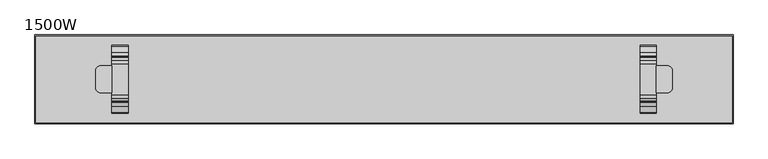
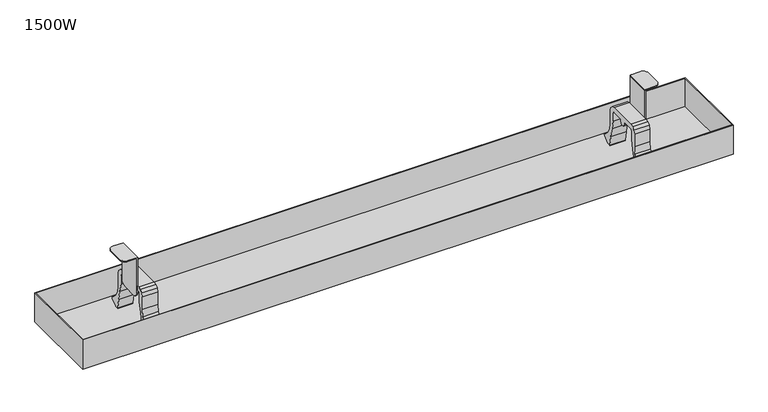
"""IFC4 building model written with IfcOpenShell, lengths in millimetres: furniture geometry, 1500W."""

from ifc_helpers import new_model, si_unit, point, frame, frame_2d, origin, place, context, project, spatial, polyline, circle_curve, trimmed, segment, composite_curve, outline, extrude, faceted_brep, source, transform, mapped, element, save
from ifc_brep_helpers import plane_surface, cylinder_surface, advanced_brep


def furniture_1500w_f9813701(model_context):
    return source(origin(), model_context, "Body", "SolidModel", [
        extrude(outline(composite_curve([segment(polyline([(28.25, 655.6089449), (34.75, 653.8672752), (39.5083302, 649.1089449), (41.25, 642.6089449), (41.25, 615.6089449), (42.9555126, 601.8121279), (49.9457921, 589.7956007), (61.0960118, 581.4929784), (62.5288578, 580.072514), (62.737976, 578.0657663), (61.6287805, 576.3804021), (49.988664, 567.6162242), (49.988664, 564.2297166), (51.9354374, 563.6484872), (53.2695938, 561.9968693), (53.406724, 559.8781409), (52.2966018, 558.0683222), (42.3770369, 549.4873279)]), True, "CONTINUOUS"), segment(trimmed(circle_curve(frame_2d((41.6448692, 550.1324462)), 0.9758316), [point((42.3770369, 549.4873279))], [point((40.6690514, 550.1272622))], False, "CARTESIAN"), True, "CONTINUOUS"), segment(polyline([(40.6690514, 550.1272622), (40.6597451, 551.8790344), (40.8692786, 553.618255), (41.2943712, 555.3176928), (41.9578918, 557.08863), (42.988664, 559.1689888), (42.988664, 567.673425), (39.9005757, 587.3273398), (36.0103541, 606.457322), (31.25, 625.5024109), (31.25, 642.6089449), (30.8480762, 644.1089449), (29.75, 645.2070212), (28.25, 645.6089449), (5.75, 645.6089449), (5.75, 640.6089449), (4.6518477, 637.2291797), (1.7768477, 635.14037), (-1.7768477, 635.14037), (-4.6518477, 637.2291797), (-5.75, 640.6089449), (-5.75, 645.6089449), (-28.25, 645.6089449), (-29.75, 645.2070212), (-30.8480762, 644.1089449), (-31.25, 642.6089449), (-31.25, 625.5024109), (-36.0103541, 606.457322), (-39.9005757, 587.3273398), (-42.988664, 567.673425), (-42.988664, 559.1689888), (-41.9578918, 557.08863), (-41.2943712, 555.3176928), (-40.8692786, 553.618255), (-40.6597451, 551.8790344), (-40.6690514, 550.1272622)]), True, "CONTINUOUS"), segment(trimmed(circle_curve(frame_2d((-41.6448692, 550.1324462)), 0.9758316), [point((-40.6690514, 550.1272622))], [point((-42.3770369, 549.4873279))], False, "CARTESIAN"), True, "CONTINUOUS"), segment(polyline([(-42.3770369, 549.4873279), (-52.2966018, 558.0683222), (-53.406724, 559.8781409), (-53.2695938, 561.9968693), (-51.9354374, 563.6484872), (-49.988664, 564.2297166), (-49.988664, 567.6162242), (-61.6287805, 576.3804021), (-62.737976, 578.0657663), (-62.5288578, 580.072514), (-61.0960118, 581.4929784), (-49.9457921, 589.7956007), (-42.9555126, 601.8121279), (-41.25, 615.6089449), (-41.25, 642.6089449), (-39.5083302, 649.1089449), (-34.75, 653.8672752), (-28.25, 655.6089449), (28.25, 655.6089449)]), True, "CONTINUOUS")], self_intersect=False)), frame((473.0, 0.0, 0.0), z_axis=(1.0, 0.0, 0.0), x_axis=(0.0, 1.0, 0.0)), (0.0, 0.0, 1.0), 30.0),
        extrude(outline(composite_curve([segment(polyline([(28.25, 655.6089449), (34.75, 653.8672752), (39.5083302, 649.1089449), (41.25, 642.6089449), (41.25, 615.6089449), (42.9555126, 601.8121279), (49.9457921, 589.7956007), (61.0960118, 581.4929784), (62.5288578, 580.072514), (62.737976, 578.0657663), (61.6287805, 576.3804021), (49.988664, 567.6162242), (49.988664, 564.2297166), (51.9354374, 563.6484872), (53.2695938, 561.9968693), (53.406724, 559.8781409), (52.2966018, 558.0683222), (42.3770369, 549.4873279)]), True, "CONTINUOUS"), segment(trimmed(circle_curve(frame_2d((41.6448692, 550.1324462)), 0.9758316), [point((42.3770369, 549.4873279))], [point((40.6690514, 550.1272622))], False, "CARTESIAN"), True, "CONTINUOUS"), segment(polyline([(40.6690514, 550.1272622), (40.6597451, 551.8790344), (40.8692786, 553.618255), (41.2943712, 555.3176928), (41.9578918, 557.08863), (42.988664, 559.1689888), (42.988664, 567.673425), (39.9005757, 587.3273398), (36.0103541, 606.457322), (31.25, 625.5024109), (31.25, 642.6089449), (30.8480762, 644.1089449), (29.75, 645.2070212), (28.25, 645.6089449), (5.75, 645.6089449), (5.75, 640.6089449), (4.6518477, 637.2291797), (1.7768477, 635.14037), (-1.7768477, 635.14037), (-4.6518477, 637.2291797), (-5.75, 640.6089449), (-5.75, 645.6089449), (-28.25, 645.6089449), (-29.75, 645.2070212), (-30.8480762, 644.1089449), (-31.25, 642.6089449), (-31.25, 625.5024109), (-36.0103541, 606.457322), (-39.9005757, 587.3273398), (-42.988664, 567.673425), (-42.988664, 559.1689888), (-41.9578918, 557.08863), (-41.2943712, 555.3176928), (-40.8692786, 553.618255), (-40.6597451, 551.8790344), (-40.6690514, 550.1272622)]), True, "CONTINUOUS"), segment(trimmed(circle_curve(frame_2d((-41.6448692, 550.1324462)), 0.9758316), [point((-40.6690514, 550.1272622))], [point((-42.3770369, 549.4873279))], False, "CARTESIAN"), True, "CONTINUOUS"), segment(polyline([(-42.3770369, 549.4873279), (-52.2966018, 558.0683222), (-53.406724, 559.8781409), (-53.2695938, 561.9968693), (-51.9354374, 563.6484872), (-49.988664, 564.2297166), (-49.988664, 567.6162242), (-61.6287805, 576.3804021), (-62.737976, 578.0657663), (-62.5288578, 580.072514), (-61.0960118, 581.4929784), (-49.9457921, 589.7956007), (-42.9555126, 601.8121279), (-41.25, 615.6089449), (-41.25, 642.6089449), (-39.5083302, 649.1089449), (-34.75, 653.8672752), (-28.25, 655.6089449), (28.25, 655.6089449)]), True, "CONTINUOUS")], self_intersect=False)), frame((-503.0, 0.0, 0.0), z_axis=(1.0, 0.0, 0.0), x_axis=(0.0, 1.0, 0.0)), (0.0, 0.0, 1.0), 30.0),
        faceted_brep([(643.0, 80.0, 567.0), (-643.0, 80.0, 567.0), (-643.0, -80.0, 567.0), (643.0, -80.0, 567.0), (643.0, 80.0, 626.0), (-643.0, 80.0, 626.0), (-643.0, -80.0, 626.0), (643.0, -80.0, 626.0), (645.0, -82.0, 626.0), (645.0, 82.0, 626.0), (-645.0, 82.0, 626.0), (-645.0, -82.0, 626.0), (645.0, -82.0, 565.0), (-645.0, -82.0, 565.0), (-645.0, 82.0, 565.0), (645.0, 82.0, 565.0)], [[[0, 1, 2, 3]], [[1, 0, 4, 5]], [[2, 1, 5, 6]], [[3, 2, 6, 7]], [[0, 3, 7, 4]], [[8, 9, 10, 11], [5, 4, 7, 6]], [[12, 13, 14, 15]], [[9, 8, 12, 15]], [[10, 9, 15, 14]], [[11, 10, 14, 13]], [[8, 11, 13, 12]]]),
        extrude(outline(composite_curve([segment(trimmed(circle_curve(frame_2d((523.0, 14.9999998)), 10.0), [point((523.0, 24.9999998))], [point((533.0, 14.9999998))], False, "CARTESIAN"), True, "CONTINUOUS"), segment(polyline([(533.0, 14.9999998), (533.0, -15.0000002)]), True, "CONTINUOUS"), segment(trimmed(circle_curve(frame_2d((523.0, -15.0000002)), 10.0), [point((533.0, -15.0000002))], [point((523.0, -25.0000002))], False, "CARTESIAN"), True, "CONTINUOUS"), segment(polyline([(523.0, -25.0000002), (503.0, -25.0000002), (503.0, 24.9999998), (523.0, 24.9999998)]), True, "CONTINUOUS")], self_intersect=False)), frame((0.0, 0.0, 713.6089449), z_axis=(0.0, 0.0, 1.0), x_axis=(1.0, 0.0, 0.0)), (0.0, 0.0, 1.0), 2.0),
        extrude(outline(polyline([(24.9999998, 640.6089449), (23.6602538, 635.6089449), (19.9999998, 631.9486909), (14.9999998, 630.6089449), (-15.0000002, 630.6089449), (-20.0000002, 631.9486909), (-23.6602542, 635.6089449), (-25.0000002, 640.6089449), (-25.0000002, 715.6089449), (24.9999998, 715.6089449), (24.9999998, 640.6089449)])), frame((503.0, 0.0, 0.0), z_axis=(1.0, 0.0, 0.0), x_axis=(0.0, 1.0, 0.0)), (0.0, 0.0, 1.0), 2.0),
        advanced_brep(
        [(-503.0, 24.9999998, 715.6089449), (-523.0, 24.9999998, 715.6089449), (-533.0, 14.9999998, 715.6089449), (-533.0, -15.0000002, 715.6089449), (-523.0, -25.0000002, 715.6089449), (-503.0, -25.0000002, 715.6089449), (-523.0, -25.0000002, 713.6089449), (-533.0, -15.0000002, 713.6089449), (-533.0, 14.9999998, 713.6089449), (-523.0, 24.9999998, 713.6089449), (-505.0, 24.9999998, 713.6089449), (-505.0, -25.0000002, 713.6089449), (-505.0, -25.0000002, 640.6089449), (-503.0, -25.0000002, 640.6089449), (-503.0, -23.6602542, 635.6089449), (-503.0, -20.0000002, 631.9486909), (-503.0, -15.0000002, 630.6089449), (-503.0, 14.9999998, 630.6089449), (-503.0, 19.9999998, 631.9486909), (-503.0, 23.6602538, 635.6089449), (-503.0, 24.9999998, 640.6089449), (-505.0, 24.9999998, 640.6089449), (-505.0, 23.6602538, 635.6089449), (-505.0, 19.9999998, 631.9486909), (-505.0, 14.9999998, 630.6089449), (-505.0, -15.0000002, 630.6089449), (-505.0, -20.0000002, 631.9486909), (-505.0, -23.6602542, 635.6089449)],
        [
            (0, 1),
            (1, 2, circle_curve(frame((-523.0, 14.9999998, 715.6089449), z_axis=(0.0, 0.0, 1.0), x_axis=(1.0, 0.0, 0.0)), 10.0)),
            (2, 3),
            (3, 4, circle_curve(frame((-523.0, -15.0000002, 715.6089449), z_axis=(0.0, 0.0, 1.0), x_axis=(1.0, 0.0, 0.0)), 10.0)),
            (4, 5),
            (5, 0),
            (6, 7, circle_curve(frame((-523.0, -15.0000002, 713.6089449), z_axis=(0.0, 0.0, -1.0), x_axis=(1.0, 0.0, 0.0)), 10.0)),
            (7, 8),
            (8, 9, circle_curve(frame((-523.0, 14.9999998, 713.6089449), z_axis=(0.0, 0.0, -1.0), x_axis=(1.0, 0.0, 0.0)), 10.0)),
            (9, 10),
            (10, 11),
            (11, 6),
            (2, 8),
            (7, 3),
            (4, 6),
            (11, 12),
            (12, 13),
            (13, 5),
            (13, 14),
            (14, 15),
            (15, 16),
            (16, 17),
            (17, 18),
            (18, 19),
            (19, 20),
            (20, 0),
            (20, 21),
            (21, 10),
            (9, 1),
            (21, 22),
            (22, 23),
            (23, 24),
            (24, 25),
            (25, 26),
            (26, 27),
            (27, 12),
            (27, 14),
            (26, 15),
            (25, 16),
            (24, 17),
            (23, 18),
            (22, 19),
        ],
        [
            plane_surface(frame((-513.0, 14.9999998, 715.6089449), z_axis=(0.0, 0.0, 1.0), x_axis=(0.0, 1.0, 0.0))),
            plane_surface(frame((-513.0, 14.9999998, 713.6089449), z_axis=(0.0, 0.0, -1.0), x_axis=(0.0, -1.0, 0.0))),
            plane_surface(frame((-533.0, 14.9999998, 715.6089449), z_axis=(-1.0, 0.0, 0.0), x_axis=(0.0, 0.0, -1.0))),
            plane_surface(frame((-523.0, -25.0000002, 715.6089449), z_axis=(0.0, -1.0, 0.0), x_axis=(0.0, 0.0, -1.0))),
            plane_surface(frame((-503.0, -25.0000002, 715.6089449), z_axis=(1.0, 0.0, 0.0), x_axis=(0.0, 0.0, -1.0))),
            plane_surface(frame((-503.0, 24.9999998, 715.6089449), z_axis=(0.0, 1.0, 0.0), x_axis=(0.0, 0.0, -1.0))),
            plane_surface(frame((-505.0, 24.9999998, 715.6089449), z_axis=(-1.0, 0.0, 0.0), x_axis=(0.0, 0.0, -1.0))),
            plane_surface(frame((-503.0, -25.0000002, 640.6089449), z_axis=(0.0, -0.9659258262890794, -0.25881904510247955), x_axis=(-1.0, 0.0, 0.0))),
            plane_surface(frame((-503.0, -23.6602542, 635.6089449), z_axis=(0.0, -0.7071067811865787, -0.7071067811865165), x_axis=(-1.0, 0.0, 0.0))),
            plane_surface(frame((-503.0, -20.0000002, 631.9486909), z_axis=(0.0, -0.2588190451025777, -0.9659258262890531), x_axis=(-1.0, 0.0, 0.0))),
            plane_surface(frame((-503.0, -15.0000002, 630.6089449), z_axis=(0.0, 0.0, -1.0), x_axis=(-1.0, 0.0, 0.0))),
            plane_surface(frame((-503.0, 14.9999998, 630.6089449), z_axis=(0.0, 0.2588190451024751, -0.9659258262890805), x_axis=(-1.0, 0.0, 0.0))),
            plane_surface(frame((-503.0, 19.9999998, 631.9486909), z_axis=(0.0, 0.7071067811865112, -0.7071067811865839), x_axis=(-1.0, 0.0, 0.0))),
            plane_surface(frame((-503.0, 23.6602538, 635.6089449), z_axis=(0.0, 0.9659258262890469, -0.2588190451026009), x_axis=(-1.0, 0.0, 0.0))),
            cylinder_surface(frame((-523.0, 14.9999998, 713.6089449), z_axis=(0.0, 0.0, 1.0), x_axis=(1.0, 0.0, 0.0)), 10.0),
            cylinder_surface(frame((-523.0, -15.0000002, 713.6089449), z_axis=(0.0, 0.0, 1.0), x_axis=(1.0, 0.0, 0.0)), 10.0),
        ],
        [
            (0, [[1, 2, 3, 4, 5, 6]]),
            (1, [[7, 8, 9, 10, 11, 12]]),
            (2, [[-3, 13, -8, 14]]),
            (3, [[15, -12, 16, 17, 18, -5]]),
            (4, [[-6, -18, 19, 20, 21, 22, 23, 24, 25, 26]]),
            (5, [[-26, 27, 28, -10, 29, -1]]),
            (6, [[30, 31, 32, 33, 34, 35, 36, -16, -11, -28]]),
            (7, [[-19, -17, -36, 37]]),
            (8, [[-20, -37, -35, 38]]),
            (9, [[-21, -38, -34, 39]]),
            (10, [[-22, -39, -33, 40]]),
            (11, [[-23, -40, -32, 41]]),
            (12, [[-24, -41, -31, 42]]),
            (13, [[-25, -42, -30, -27]]),
            (14, [[-2, -29, -9, -13]]),
            (15, [[-4, -14, -7, -15]]),
        ],
    ),
    ])


if __name__ == "__main__":
    model = new_model("IFC4")
    model_context = context("Model", 3, world=origin())
    ifc_project = project(units=[si_unit("LENGTHUNIT", "METRE", prefix="MILLI")], contexts=[model_context])
    site = spatial("IfcSite", under=ifc_project)
    building = spatial("IfcBuilding", under=site)
    placement = place(None, origin())
    furniture_1500w_shape = furniture_1500w_f9813701(model_context)
    element("IfcFurniture", 1, ObjectType="1500W", at=placement, inside=building, context=model_context, shape_type="MappedRepresentation", body=[
        mapped(furniture_1500w_shape, transform((0.0, 0.0, 0.0), x_axis=(1.0, 0.0, 0.0), y_axis=(0.0, 1.0, 0.0), z_axis=(0.0, 0.0, 1.0))),
    ])
    save(model, "model.ifc")
